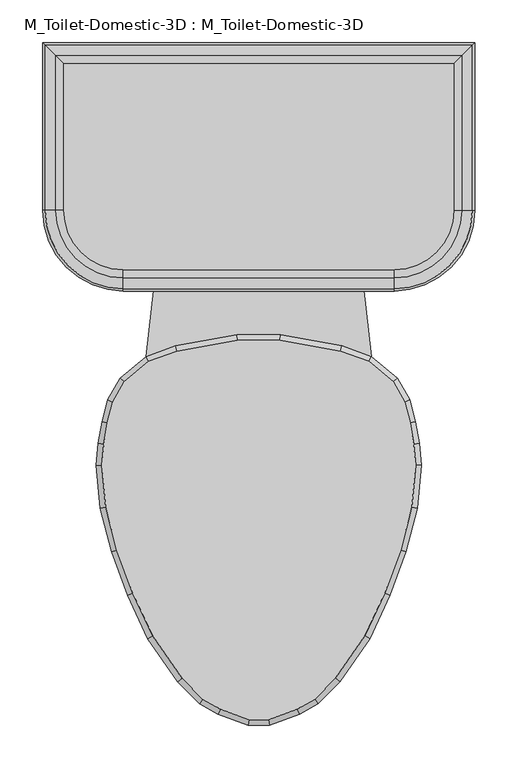
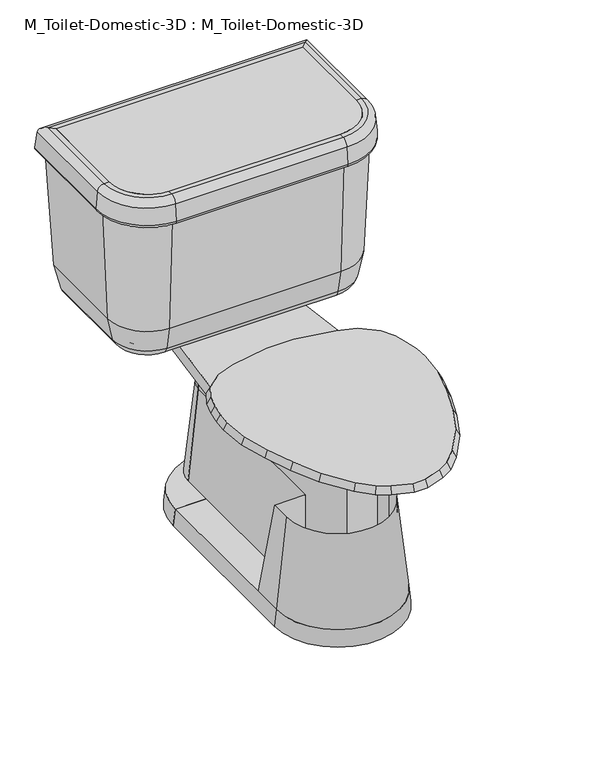
"""IFC4 building model written with IfcOpenShell, lengths in millimetres: flow terminal geometry, M_Toilet-Domestic-3D : M_Toilet-Domestic-3D."""

from ifc_helpers import new_model, si_unit, point, frame, frame_2d, origin, place, context, project, spatial, polyline, circle_curve, ellipse_curve, trimmed, segment, composite_curve, outline, extrude, faceted_brep, source, transform, mapped, element, save
from ifc_brep_helpers import plane_surface, cylinder_surface, revolved_surface, advanced_brep


def m_toilet_domestic_3d_m_toilet_domestic_3d_5cb52bd4(model_context):
    return source(origin(), model_context, "Body", "SolidModel", [
        advanced_brep(
        [(-117.7636364, 285.75, 0.0), (-38.1, 285.75, 0.0), (-38.1, 285.75, 31.75), (-114.3, 285.75, 31.75), (117.7636364, 285.75, 0.0), (114.3, 285.75, 31.75), (38.1, 285.75, 31.75), (38.1, 285.75, 0.0)],
        [
            (0, 1),
            (1, 2),
            (2, 3),
            (3, 0),
            (4, 5),
            (5, 6),
            (6, 7),
            (7, 4),
            (7, 1, circle_curve(frame((0.0, 285.75, 0.0), z_axis=(0.0, 0.0, 1.0), x_axis=(-1.0, 0.0, 0.0)), 38.1)),
            (0, 4, circle_curve(frame((0.0, 285.75, 0.0), z_axis=(0.0, 0.0, -1.0), x_axis=(-1.0, 0.0, 0.0)), 117.7636364)),
            (6, 2, circle_curve(frame((0.0, 285.75, 31.75), z_axis=(0.0, 0.0, 1.0), x_axis=(-1.0, 0.0, 0.0)), 38.1)),
            (5, 3, circle_curve(frame((0.0, 285.75, 31.75), z_axis=(0.0, 0.0, 1.0), x_axis=(-1.0, 0.0, 0.0)), 114.3)),
        ],
        [
            plane_surface(frame((0.0, 285.75, -304.8), z_axis=(0.0, -1.0, 0.0), x_axis=(-1.0, 0.0, 0.0))),
            plane_surface(frame((0.0, 285.75, -304.8), z_axis=(0.0, -1.0, 0.0), x_axis=(1.0, 0.0, 0.0))),
            plane_surface(frame((0.0, 285.75, 0.0), z_axis=(0.0, 0.0, -1.0), x_axis=(-1.0, 0.0, 0.0))),
            revolved_surface(polyline([(-38.1, 285.75, 0.0), (-38.1, 285.75, 31.75)]), (0.0, 285.75, -304.8), (0.0, 0.0, -1.0)),
            plane_surface(frame((0.0, 285.75, 31.75), z_axis=(0.0, 0.0, 1.0), x_axis=(-1.0, 0.0, 0.0))),
            revolved_surface(polyline([(-114.3, 285.75, 31.75), (-117.7636364, 285.75, 0.0)]), (0.0, 285.75, -304.8), (0.0, 0.0, -1.0)),
        ],
        [
            (0, [[1, 2, 3, 4]]),
            (1, [[5, 6, 7, 8]]),
            (2, [[9, -1, 10, -8]]),
            (3, [[11, -2, -9, -7]]),
            (4, [[12, -3, -11, -6]]),
            (5, [[-10, -4, -12, -5]]),
        ],
    ),
        advanced_brep(
        [(-38.1, 342.9, 206.375), (-57.15, 342.9, 31.75), (-38.1, 342.9, 31.75), (38.1, 342.9, 206.375), (38.1, 342.9, 31.75), (57.15, 342.9, 31.75)],
        [
            (0, 1),
            (1, 2),
            (2, 0),
            (3, 4),
            (4, 5),
            (5, 3),
            (5, 1, circle_curve(frame((0.0, 342.9, 31.75), z_axis=(0.0, 0.0, 1.0), x_axis=(-1.0, 0.0, 0.0)), 57.15)),
            (0, 3, circle_curve(frame((0.0, 342.9, 206.375), z_axis=(0.0, 0.0, -1.0), x_axis=(-1.0, 0.0, 0.0)), 38.1)),
            (4, 2, circle_curve(frame((0.0, 342.9, 31.75), z_axis=(0.0, 0.0, 1.0), x_axis=(-1.0, 0.0, 0.0)), 38.1)),
        ],
        [
            plane_surface(frame((0.0, 342.9, 31.75), z_axis=(0.0, -1.0, 0.0), x_axis=(-1.0, 0.0, 0.0))),
            plane_surface(frame((0.0, 342.9, 31.75), z_axis=(0.0, -1.0, 0.0), x_axis=(1.0, 0.0, 0.0))),
            revolved_surface(polyline([(-38.1, 342.9, 206.375), (-57.15, 342.9, 31.75)]), (0.0, 342.9, 31.75), (0.0, 0.0, -1.0)),
            plane_surface(frame((0.0, 342.9, 31.75), z_axis=(0.0, 0.0, -1.0), x_axis=(-1.0, 0.0, 0.0))),
            revolved_surface(polyline([(-38.1, 342.9, 31.75), (-38.1, 342.9, 206.375)]), (0.0, 342.9, 31.75), (0.0, 0.0, -1.0)),
        ],
        [
            (0, [[1, 2, 3]]),
            (1, [[4, 5, 6]]),
            (2, [[7, -1, 8, -6]]),
            (3, [[9, -2, -7, -5]]),
            (4, [[-8, -3, -9, -4]]),
        ],
    ),
        faceted_brep([(-157.6293435, 97.472128, 400.05), (-171.060664, 73.773864, 400.05), (-177.5851102, 49.4242991, 400.05), (-181.9845715, 24.4737144, 400.05), (-184.125744, 0.0, 400.05), (-179.7950716, -49.4998127, 400.05), (-166.347, -99.688699, 400.05), (-148.0469602, -149.9676451, 400.05), (-124.7045808, -200.0255393, 400.05), (-90.0971582, -249.9125941, 400.05), (-65.691017, -274.3187354, 400.05), (-44.8990862, -286.3229622, 400.05), (-11.5803237, -298.45, 400.05), (11.5803237, -298.45, 400.05), (44.8990862, -286.3229622, 400.05), (65.691017, -274.3187354, 400.05), (90.0971582, -249.9125941, 400.05), (124.7045808, -200.0255393, 400.05), (148.0469602, -149.9676451, 400.05), (166.347, -99.688699, 400.05), (179.7950716, -49.4998127, 400.05), (184.125744, 0.0, 400.05), (181.9845715, 24.4737144, 400.05), (177.5851102, 49.4242991, 400.05), (171.060664, 73.773864, 400.05), (157.6293435, 97.472128, 400.05), (129.0942628, 121.4159037, 400.05), (95.7755003, 133.5429415, 400.05), (24.844447, 146.05, 400.05), (-24.844447, 146.05, 400.05), (-95.7755003, 133.5429415, 400.05), (-129.0942628, 121.4159037, 400.05), (-162.5887836, 101.6, 387.2181453), (-132.3182423, 127.0, 387.2181453), (-97.4252791, 139.7, 387.2181453), (-25.4, 152.4, 387.2181453), (25.4, 152.4, 387.2181453), (97.4252791, 139.7, 387.2181453), (132.3182423, 127.0, 387.2181453), (162.5887836, 101.6, 387.2181453), (176.9845865, 76.2, 387.2181453), (183.790496, 50.8, 387.2181453), (188.2862441, 25.3033453, 387.2181453), (190.5, 0.0, 387.2181453), (186.0724883, -50.6066907, 387.2181453), (172.4088722, -101.6, 387.2181453), (153.9191843, -152.4, 387.2181453), (130.2307553, -203.2, 387.2181453), (94.9900085, -254.0, 387.2181453), (69.5900085, -279.4, 387.2181453), (47.5929632, -292.1, 387.2181453), (12.7, -304.8, 387.2181453), (-12.7, -304.8, 387.2181453), (-47.5929632, -292.1, 387.2181453), (-69.5900085, -279.4, 387.2181453), (-94.9900085, -254.0, 387.2181453), (-130.2307553, -203.2, 387.2181453), (-153.9191843, -152.4, 387.2181453), (-172.4088722, -101.6, 387.2181453), (-186.0724883, -50.6066907, 387.2181453), (-190.5, 0.0, 387.2181453), (-188.2862441, 25.3033453, 387.2181453), (-183.790496, 50.8, 387.2181453), (-176.9845865, 76.2, 387.2181453)], [[[0, 1, 2, 3, 4, 5, 6, 7, 8, 9, 10, 11, 12, 13, 14, 15, 16, 17, 18, 19, 20, 21, 22, 23, 24, 25, 26, 27, 28, 29, 30, 31]], [[32, 33, 34, 35, 36, 37, 38, 39, 40, 41, 42, 43, 44, 45, 46, 47, 48, 49, 50, 51, 52, 53, 54, 55, 56, 57, 58, 59, 60, 61, 62, 63]], [[32, 63, 1, 0]], [[63, 62, 2, 1]], [[62, 61, 3, 2]], [[61, 60, 4, 3]], [[60, 59, 5, 4]], [[59, 58, 6, 5]], [[58, 57, 7, 6]], [[57, 56, 8, 7]], [[56, 55, 9, 8]], [[55, 54, 10, 9]], [[54, 53, 11, 10]], [[53, 52, 12, 11]], [[52, 51, 13, 12]], [[51, 50, 14, 13]], [[50, 49, 15, 14]], [[49, 48, 16, 15]], [[48, 47, 17, 16]], [[47, 46, 18, 17]], [[46, 45, 19, 18]], [[45, 44, 20, 19]], [[44, 43, 21, 20]], [[43, 42, 22, 21]], [[42, 41, 23, 22]], [[41, 40, 24, 23]], [[40, 39, 25, 24]], [[39, 38, 26, 25]], [[38, 37, 27, 26]], [[37, 36, 28, 27]], [[36, 35, 29, 28]], [[35, 34, 30, 29]], [[34, 33, 31, 30]], [[33, 32, 0, 31]]]),
        extrude(outline(composite_curve([segment(polyline([(228.5868869, 469.8868869), (228.5868869, 298.45)]), True, "CONTINUOUS"), segment(trimmed(circle_curve(frame_2d((158.75, 298.45)), 69.8368869), [point((228.5868869, 298.45))], [point((158.75, 228.6131131))], False, "CARTESIAN"), True, "CONTINUOUS"), segment(polyline([(158.75, 228.6131131), (-158.75, 228.6131131)]), True, "CONTINUOUS"), segment(trimmed(circle_curve(frame_2d((-158.75, 298.45)), 69.8368869), [point((-158.75, 228.6131131))], [point((-228.5868869, 298.45))], False, "CARTESIAN"), True, "CONTINUOUS"), segment(polyline([(-228.5868869, 298.45), (-228.5868869, 469.8868869), (228.5868869, 469.8868869)]), True, "CONTINUOUS")], self_intersect=False)), frame((0.0, 0.0, 654.05), z_axis=(0.0, 0.0, 1.0), x_axis=(1.0, 0.0, 0.0)), (0.0, 0.0, 1.0), 50.8),
        extrude(outline(composite_curve([segment(trimmed(circle_curve(frame_2d((0.0, 342.9)), 38.1), [point((-38.1, 342.9))], [point((38.1, 342.9))], False, "CARTESIAN"), True, "CONTINUOUS"), segment(polyline([(38.1, 342.9), (-38.1, 342.9)]), True, "CONTINUOUS")], self_intersect=False)), frame((0.0, 0.0, 206.375), z_axis=(0.0, 0.0, 1.0), x_axis=(1.0, 0.0, 0.0)), (0.0, 0.0, 1.0), 130.175),
        advanced_brep(
        [(177.8, 419.1, 387.2181453), (177.8, 419.1, 374.65), (177.8, 298.45, 374.65), (177.8, 298.45, 387.2181453), (192.8020829, 434.1020829, 387.2181453), (192.8020829, 298.45, 387.2181453), (211.4650931, 452.7650931, 402.4478636), (211.4650931, 298.45, 402.4478636), (218.7732506, 460.0732506, 438.15), (218.7732506, 298.45, 438.15), (228.5868869, 469.8868869, 654.05), (228.5868869, 298.45, 654.05), (228.5868869, 469.8868869, 704.85), (228.5868869, 298.45, 704.85), (237.91817, 479.21817, 704.85), (237.91817, 298.45, 704.85), (250.5698426, 491.8698426, 693.2568779), (250.5698426, 298.45, 693.2568779), (253.3960274, 494.6960274, 660.953439), (253.3960274, 298.45, 660.953439), (247.070191, 488.370191, 654.05), (247.070191, 298.45, 654.05), (241.3, 482.6, 654.05), (241.3, 298.45, 654.05), (231.4863636, 472.7863636, 438.15), (231.4863636, 298.45, 438.15), (222.3416824, 463.6416824, 393.4759963), (222.3416824, 298.45, 393.4759963), (197.8071664, 439.1071664, 374.65), (197.8071664, 298.45, 374.65), (158.75, 279.4, 387.2181453), (158.75, 279.4, 374.65), (158.75, 264.3979171, 387.2181453), (158.75, 245.7349069, 402.4478636), (158.75, 238.4267494, 438.15), (158.75, 228.6131131, 654.05), (158.75, 228.6131131, 704.85), (158.75, 219.28183, 704.85), (158.75, 206.6301574, 693.2568779), (158.75, 203.8039726, 660.953439), (158.75, 210.129809, 654.05), (158.75, 215.9, 654.05), (158.75, 225.7136364, 438.15), (158.75, 234.8583176, 393.4759963), (158.75, 259.3928336, 374.65), (-158.75, 279.4, 374.65), (-158.75, 279.4, 387.2181453), (-158.75, 264.3979171, 387.2181453), (-158.75, 245.7349069, 402.4478636), (-158.75, 238.4267494, 438.15), (-158.75, 228.6131131, 654.05), (-158.75, 228.6131131, 704.85), (-158.75, 219.28183, 704.85), (-158.75, 206.6301574, 693.2568779), (-158.75, 203.8039726, 660.953439), (-158.75, 210.129809, 654.05), (-158.75, 215.9, 654.05), (-158.75, 225.7136364, 438.15), (-158.75, 234.8583176, 393.4759963), (-158.75, 259.3928336, 374.65), (-177.8, 298.45, 387.2181453), (-177.8, 298.45, 374.65), (-192.8020829, 298.45, 387.2181453), (-211.4650931, 298.45, 402.4478636), (-218.7732506, 298.45, 438.15), (-228.5868869, 298.45, 654.05), (-228.5868869, 298.45, 704.85), (-237.91817, 298.45, 704.85), (-250.5698426, 298.45, 693.2568779), (-253.3960274, 298.45, 660.953439), (-247.070191, 298.45, 654.05), (-241.3, 298.45, 654.05), (-231.4863636, 298.45, 438.15), (-222.3416824, 298.45, 393.4759963), (-197.8071664, 298.45, 374.65), (-177.8, 419.1, 374.65), (-177.8, 419.1, 387.2181453), (-192.8020829, 434.1020829, 387.2181453), (-211.4650931, 452.7650931, 402.4478636), (-218.7732506, 460.0732506, 438.15), (-228.5868869, 469.8868869, 654.05), (-228.5868869, 469.8868869, 704.85), (-237.91817, 479.21817, 704.85), (-250.5698426, 491.8698426, 693.2568779), (-253.3960274, 494.6960274, 660.953439), (-247.070191, 488.370191, 654.05), (-241.3, 482.6, 654.05), (-231.4863636, 472.7863636, 438.15), (-222.3416824, 463.6416824, 393.4759963), (-197.8071664, 439.1071664, 374.65)],
        [
            (0, 1),
            (1, 2),
            (2, 3),
            (3, 0),
            (4, 0),
            (3, 5),
            (5, 4),
            (6, 4, ellipse_curve(frame((192.8020829, 434.1020829, 406.2681453), z_axis=(-0.7071067811865451, 0.7071067811865498, 0.0), x_axis=(-0.7071067811865497, -0.7071067811865452, 0.0)), 26.9407684, 19.05)),
            (5, 7, circle_curve(frame((192.8020829, 298.45, 406.2681453), z_axis=(0.0, -1.0, 0.0), x_axis=(1.0, 0.0, 0.0)), 19.05)),
            (7, 6),
            (8, 6),
            (7, 9),
            (9, 8),
            (10, 8),
            (9, 11),
            (11, 10),
            (12, 10),
            (11, 13),
            (13, 12),
            (14, 12),
            (13, 15),
            (15, 14),
            (16, 14, ellipse_curve(frame((237.91817, 479.21817, 692.15), z_axis=(0.7071067811865451, -0.7071067811865498, 0.0), x_axis=(0.7071067811865497, 0.7071067811865452, 0.0)), 17.9605122, 12.7)),
            (15, 17, circle_curve(frame((237.91817, 298.45, 692.15), z_axis=(0.0, 1.0, 0.0), x_axis=(1.0, 0.0, 0.0)), 12.7)),
            (17, 16),
            (18, 16),
            (17, 19),
            (19, 18),
            (20, 18, ellipse_curve(frame((247.070191, 488.370191, 660.4), z_axis=(0.7071067811865451, -0.7071067811865498, 0.0), x_axis=(0.7071067811865497, 0.7071067811865452, 0.0)), 8.9802561, 6.35)),
            (19, 21, circle_curve(frame((247.070191, 298.45, 660.4), z_axis=(0.0, 1.0, 0.0), x_axis=(1.0, 0.0, 0.0)), 6.35)),
            (21, 20),
            (22, 20),
            (21, 23),
            (23, 22),
            (24, 22),
            (23, 25),
            (25, 24),
            (26, 24),
            (25, 27),
            (27, 26),
            (28, 26, ellipse_curve(frame((197.8071664, 439.1071664, 400.05), z_axis=(0.7071067811865451, -0.7071067811865498, 0.0), x_axis=(0.7071067811865497, 0.7071067811865452, 0.0)), 35.9210245, 25.4)),
            (27, 29, circle_curve(frame((197.8071664, 298.45, 400.05), z_axis=(0.0, 1.0, 0.0), x_axis=(1.0, 0.0, 0.0)), 25.4)),
            (29, 28),
            (1, 28),
            (29, 2),
            (30, 3, circle_curve(frame((158.75, 298.45, 387.2181453), z_axis=(0.0, 0.0, 1.0), x_axis=(1.0, 0.0, 0.0)), 19.05)),
            (2, 31, circle_curve(frame((158.75, 298.45, 374.65), z_axis=(0.0, 0.0, -1.0), x_axis=(1.0, 0.0, 0.0)), 19.05)),
            (31, 30),
            (32, 5, circle_curve(frame((158.75, 298.45, 387.2181453), z_axis=(0.0, 0.0, 1.0), x_axis=(1.0, 0.0, 0.0)), 34.0520829)),
            (30, 32),
            (33, 7, circle_curve(frame((158.75, 298.45, 402.4478636), z_axis=(0.0, 0.0, 1.0), x_axis=(1.0, 0.0, 0.0)), 52.7150931)),
            (32, 33, circle_curve(frame((158.75, 264.3979171, 406.2681453), z_axis=(-1.0, 0.0, 0.0), x_axis=(0.0, -1.0, 0.0)), 19.05)),
            (34, 9, circle_curve(frame((158.75, 298.45, 438.15), z_axis=(0.0, 0.0, 1.0), x_axis=(1.0, 0.0, 0.0)), 60.0232506)),
            (33, 34),
            (35, 11, circle_curve(frame((158.75, 298.45, 654.05), z_axis=(0.0, 0.0, 1.0), x_axis=(1.0, 0.0, 0.0)), 69.8368869)),
            (34, 35),
            (36, 13, circle_curve(frame((158.75, 298.45, 704.85), z_axis=(0.0, 0.0, 1.0), x_axis=(1.0, 0.0, 0.0)), 69.8368869)),
            (35, 36),
            (37, 15, circle_curve(frame((158.75, 298.45, 704.85), z_axis=(0.0, 0.0, 1.0), x_axis=(1.0, 0.0, 0.0)), 79.16817)),
            (36, 37),
            (38, 17, circle_curve(frame((158.75, 298.45, 693.2568779), z_axis=(0.0, 0.0, 1.0), x_axis=(1.0, 0.0, 0.0)), 91.8198426)),
            (37, 38, circle_curve(frame((158.75, 219.28183, 692.15), z_axis=(1.0, 0.0, 0.0), x_axis=(0.0, -1.0, 0.0)), 12.7)),
            (39, 19, circle_curve(frame((158.75, 298.45, 660.953439), z_axis=(0.0, 0.0, 1.0), x_axis=(1.0, 0.0, 0.0)), 94.6460274)),
            (38, 39),
            (40, 21, circle_curve(frame((158.75, 298.45, 654.05), z_axis=(0.0, 0.0, 1.0), x_axis=(1.0, 0.0, 0.0)), 88.320191)),
            (39, 40, circle_curve(frame((158.75, 210.129809, 660.4), z_axis=(1.0, 0.0, 0.0), x_axis=(0.0, -1.0, 0.0)), 6.35)),
            (41, 23, circle_curve(frame((158.75, 298.45, 654.05), z_axis=(0.0, 0.0, 1.0), x_axis=(1.0, 0.0, 0.0)), 82.55)),
            (40, 41),
            (42, 25, circle_curve(frame((158.75, 298.45, 438.15), z_axis=(0.0, 0.0, 1.0), x_axis=(1.0, 0.0, 0.0)), 72.7363636)),
            (41, 42),
            (43, 27, circle_curve(frame((158.75, 298.45, 393.4759963), z_axis=(0.0, 0.0, 1.0), x_axis=(1.0, 0.0, 0.0)), 63.5916824)),
            (42, 43),
            (44, 29, circle_curve(frame((158.75, 298.45, 374.65), z_axis=(0.0, 0.0, 1.0), x_axis=(1.0, 0.0, 0.0)), 39.0571664)),
            (43, 44, circle_curve(frame((158.75, 259.3928336, 400.05), z_axis=(1.0, 0.0, 0.0), x_axis=(0.0, -1.0, 0.0)), 25.4)),
            (44, 31),
            (31, 45),
            (45, 46),
            (46, 30),
            (46, 47),
            (47, 32),
            (47, 48, circle_curve(frame((-158.75, 264.3979171, 406.2681453), z_axis=(-1.0, 0.0, 0.0), x_axis=(0.0, -1.0, 0.0)), 19.05)),
            (48, 33),
            (48, 49),
            (49, 34),
            (49, 50),
            (50, 35),
            (50, 51),
            (51, 36),
            (51, 52),
            (52, 37),
            (52, 53, circle_curve(frame((-158.75, 219.28183, 692.15), z_axis=(1.0, 0.0, 0.0), x_axis=(0.0, -1.0, 0.0)), 12.7)),
            (53, 38),
            (53, 54),
            (54, 39),
            (54, 55, circle_curve(frame((-158.75, 210.129809, 660.4), z_axis=(1.0, 0.0, 0.0), x_axis=(0.0, -1.0, 0.0)), 6.35)),
            (55, 40),
            (55, 56),
            (56, 41),
            (56, 57),
            (57, 42),
            (57, 58),
            (58, 43),
            (58, 59, circle_curve(frame((-158.75, 259.3928336, 400.05), z_axis=(1.0, 0.0, 0.0), x_axis=(0.0, -1.0, 0.0)), 25.4)),
            (59, 44),
            (59, 45),
            (60, 46, circle_curve(frame((-158.75, 298.45, 387.2181453), z_axis=(0.0, 0.0, 1.0), x_axis=(0.0, -1.0, 0.0)), 19.05)),
            (45, 61, circle_curve(frame((-158.75, 298.45, 374.65), z_axis=(0.0, 0.0, -1.0), x_axis=(0.0, -1.0, 0.0)), 19.05)),
            (61, 60),
            (62, 47, circle_curve(frame((-158.75, 298.45, 387.2181453), z_axis=(0.0, 0.0, 1.0), x_axis=(0.0, -1.0, 0.0)), 34.0520829)),
            (60, 62),
            (63, 48, circle_curve(frame((-158.75, 298.45, 402.4478636), z_axis=(0.0, 0.0, 1.0), x_axis=(0.0, -1.0, 0.0)), 52.7150931)),
            (62, 63, circle_curve(frame((-192.8020829, 298.45, 406.2681453), z_axis=(0.0, 1.0, 0.0), x_axis=(-1.0, 0.0, 0.0)), 19.05)),
            (64, 49, circle_curve(frame((-158.75, 298.45, 438.15), z_axis=(0.0, 0.0, 1.0), x_axis=(0.0, -1.0, 0.0)), 60.0232506)),
            (63, 64),
            (65, 50, circle_curve(frame((-158.75, 298.45, 654.05), z_axis=(0.0, 0.0, 1.0), x_axis=(0.0, -1.0, 0.0)), 69.8368869)),
            (64, 65),
            (66, 51, circle_curve(frame((-158.75, 298.45, 704.85), z_axis=(0.0, 0.0, 1.0), x_axis=(0.0, -1.0, 0.0)), 69.8368869)),
            (65, 66),
            (67, 52, circle_curve(frame((-158.75, 298.45, 704.85), z_axis=(0.0, 0.0, 1.0), x_axis=(0.0, -1.0, 0.0)), 79.16817)),
            (66, 67),
            (68, 53, circle_curve(frame((-158.75, 298.45, 693.2568779), z_axis=(0.0, 0.0, 1.0), x_axis=(0.0, -1.0, 0.0)), 91.8198426)),
            (67, 68, circle_curve(frame((-237.91817, 298.45, 692.15), z_axis=(0.0, -1.0, 0.0), x_axis=(-1.0, 0.0, 0.0)), 12.7)),
            (69, 54, circle_curve(frame((-158.75, 298.45, 660.953439), z_axis=(0.0, 0.0, 1.0), x_axis=(0.0, -1.0, 0.0)), 94.6460274)),
            (68, 69),
            (70, 55, circle_curve(frame((-158.75, 298.45, 654.05), z_axis=(0.0, 0.0, 1.0), x_axis=(0.0, -1.0, 0.0)), 88.320191)),
            (69, 70, circle_curve(frame((-247.070191, 298.45, 660.4), z_axis=(0.0, -1.0, 0.0), x_axis=(-1.0, 0.0, 0.0)), 6.35)),
            (71, 56, circle_curve(frame((-158.75, 298.45, 654.05), z_axis=(0.0, 0.0, 1.0), x_axis=(0.0, -1.0, 0.0)), 82.55)),
            (70, 71),
            (72, 57, circle_curve(frame((-158.75, 298.45, 438.15), z_axis=(0.0, 0.0, 1.0), x_axis=(0.0, -1.0, 0.0)), 72.7363636)),
            (71, 72),
            (73, 58, circle_curve(frame((-158.75, 298.45, 393.4759963), z_axis=(0.0, 0.0, 1.0), x_axis=(0.0, -1.0, 0.0)), 63.5916824)),
            (72, 73),
            (74, 59, circle_curve(frame((-158.75, 298.45, 374.65), z_axis=(0.0, 0.0, 1.0), x_axis=(0.0, -1.0, 0.0)), 39.0571664)),
            (73, 74, circle_curve(frame((-197.8071664, 298.45, 400.05), z_axis=(0.0, -1.0, 0.0), x_axis=(-1.0, 0.0, 0.0)), 25.4)),
            (74, 61),
            (61, 75),
            (75, 76),
            (76, 60),
            (76, 77),
            (77, 62),
            (77, 78, ellipse_curve(frame((-192.8020829, 434.1020829, 406.2681453), z_axis=(0.7071067811865498, 0.7071067811865451, 0.0), x_axis=(-0.7071067811865451, 0.70710678118655, 0.0)), 26.9407684, 19.05)),
            (78, 63),
            (78, 79),
            (79, 64),
            (79, 80),
            (80, 65),
            (80, 81),
            (81, 66),
            (81, 82),
            (82, 67),
            (82, 83, ellipse_curve(frame((-237.91817, 479.21817, 692.15), z_axis=(-0.7071067811865498, -0.7071067811865451, 0.0), x_axis=(0.7071067811865451, -0.70710678118655, 0.0)), 17.9605122, 12.7)),
            (83, 68),
            (83, 84),
            (84, 69),
            (84, 85, ellipse_curve(frame((-247.070191, 488.370191, 660.4), z_axis=(-0.7071067811865498, -0.7071067811865451, 0.0), x_axis=(0.7071067811865451, -0.70710678118655, 0.0)), 8.9802561, 6.35)),
            (85, 70),
            (85, 86),
            (86, 71),
            (86, 87),
            (87, 72),
            (87, 88),
            (88, 73),
            (88, 89, ellipse_curve(frame((-197.8071664, 439.1071664, 400.05), z_axis=(-0.7071067811865498, -0.7071067811865451, 0.0), x_axis=(0.7071067811865451, -0.70710678118655, 0.0)), 35.9210245, 25.4)),
            (89, 74),
            (89, 75),
            (75, 1),
            (0, 76),
            (4, 77),
            (6, 78),
            (8, 79),
            (10, 80),
            (12, 81),
            (14, 82),
            (16, 83),
            (18, 84),
            (20, 85),
            (22, 86),
            (24, 87),
            (26, 88),
            (28, 89),
        ],
        [
            plane_surface(frame((177.8, 419.1, 374.65), z_axis=(-1.0, 0.0, 0.0), x_axis=(0.0, -1.0, 0.0))),
            plane_surface(frame((177.8, 419.1, 387.2181453), z_axis=(0.0, 0.0, 1.0), x_axis=(0.0, -1.0, 0.0))),
            revolved_surface(polyline([(211.8520829, 298.45, 406.2681453), (211.8520829, 453.1520829260162, 406.2681453)]), (192.8020829, 419.1, 406.2681453), (0.0, -1.0, 0.0)),
            plane_surface(frame((211.4650931, 452.7650931, 402.4478636), z_axis=(-0.9796855721787505, 0.0, 0.2005397209153197), x_axis=(0.0, -1.0, 0.0))),
            plane_surface(frame((218.7732506, 460.0732506, 438.15), z_axis=(-0.9989685402102993, 0.0, 0.04540766091865541), x_axis=(0.0, -1.0, 0.0))),
            plane_surface(frame((228.5868869, 469.8868869, 654.05), z_axis=(-1.0, 0.0, 0.0), x_axis=(0.0, -1.0, 0.0))),
            plane_surface(frame((228.5868869, 469.8868869, 704.85), z_axis=(0.0, 0.0, 1.0), x_axis=(0.0, -1.0, 0.0))),
            cylinder_surface(frame((237.91817, 419.1, 692.15), z_axis=(0.0, 1.0, 0.0), x_axis=(1.0, 0.0, 0.0)), 12.7),
            plane_surface(frame((250.5698426, 491.8698426, 693.2568779), z_axis=(0.9961946980917448, 0.0, 0.08715574274766702), x_axis=(0.0, -1.0, 0.0))),
            cylinder_surface(frame((247.070191, 419.1, 660.4), z_axis=(0.0, 1.0, 0.0), x_axis=(1.0, 0.0, 0.0)), 6.35),
            plane_surface(frame((247.070191, 488.370191, 654.05), z_axis=(0.0, 0.0, -1.0), x_axis=(0.0, -1.0, 0.0))),
            plane_surface(frame((241.3, 482.6, 654.05), z_axis=(0.9989685402102995, 0.0, -0.04540766091865437), x_axis=(0.0, -1.0, 0.0))),
            plane_surface(frame((231.4863636, 472.7863636, 438.15), z_axis=(0.9796855721787479, 0.0, -0.2005397209153326), x_axis=(0.0, -1.0, 0.0))),
            cylinder_surface(frame((197.8071664, 419.1, 400.05), z_axis=(0.0, 1.0, 0.0), x_axis=(1.0, 0.0, 0.0)), 25.4),
            plane_surface(frame((197.8071664, 439.1071664, 374.65), z_axis=(0.0, 0.0, -1.0), x_axis=(0.0, -1.0, 0.0))),
            revolved_surface(polyline([(177.8, 298.45, 374.65), (177.8, 298.45, 387.2181453)]), (158.75, 298.45, 0.0), (0.0, 0.0, -1.0)),
            plane_surface(frame((158.75, 298.45, 387.2181453), z_axis=(0.0, 0.0, 1.0), x_axis=(1.0, 0.0, 0.0))),
            revolved_surface(trimmed(ellipse_curve(frame((192.8020829, 298.45, 406.2681453), z_axis=(0.0, -1.0, 0.0), x_axis=(1.0, 0.0, 0.0)), 19.05, 19.05), [point((192.8020829, 298.45, 387.2181453))], [point((211.4650931, 298.45, 402.4478636))], True, "CARTESIAN"), (158.75, 298.45, 0.0), (0.0, 0.0, -1.0)),
            revolved_surface(polyline([(211.4650931, 298.45, 402.4478636), (218.7732506, 298.45, 438.15)]), (158.75, 298.45, 0.0), (0.0, 0.0, -1.0)),
            revolved_surface(polyline([(218.7732506, 298.45, 438.15), (228.5868869, 298.45, 654.05)]), (158.75, 298.45, 0.0), (0.0, 0.0, -1.0)),
            revolved_surface(polyline([(228.5868869, 298.45, 654.05), (228.5868869, 298.45, 704.85)]), (158.75, 298.45, 0.0), (0.0, 0.0, -1.0)),
            plane_surface(frame((158.75, 298.45, 704.85), z_axis=(0.0, 0.0, 1.0), x_axis=(1.0, 0.0, 0.0))),
            revolved_surface(trimmed(ellipse_curve(frame((237.91817, 298.45, 692.15), z_axis=(0.0, 1.0, 0.0), x_axis=(1.0, 0.0, 0.0)), 12.7, 12.7), [point((237.91817, 298.45, 704.85))], [point((250.5698426, 298.45, 693.2568779))], True, "CARTESIAN"), (158.75, 298.45, 0.0), (0.0, 0.0, -1.0)),
            revolved_surface(polyline([(250.5698426, 298.45, 693.2568779), (253.3960274, 298.45, 660.953439)]), (158.75, 298.45, 0.0), (0.0, 0.0, -1.0)),
            revolved_surface(trimmed(ellipse_curve(frame((247.070191, 298.45, 660.4), z_axis=(0.0, 1.0, 0.0), x_axis=(1.0, 0.0, 0.0)), 6.35, 6.35), [point((253.3960274, 298.45, 660.953439))], [point((247.070191, 298.45, 654.05))], True, "CARTESIAN"), (158.75, 298.45, 0.0), (0.0, 0.0, -1.0)),
            plane_surface(frame((158.75, 298.45, 654.05), z_axis=(0.0, 0.0, -1.0), x_axis=(1.0, 0.0, 0.0))),
            revolved_surface(polyline([(241.3, 298.45, 654.05), (231.4863636, 298.45, 438.15)]), (158.75, 298.45, 0.0), (0.0, 0.0, -1.0)),
            revolved_surface(polyline([(231.4863636, 298.45, 438.15), (222.3416824, 298.45, 393.4759963)]), (158.75, 298.45, 0.0), (0.0, 0.0, -1.0)),
            revolved_surface(trimmed(ellipse_curve(frame((197.8071664, 298.45, 400.05), z_axis=(0.0, 1.0, 0.0), x_axis=(1.0, 0.0, 0.0)), 25.4, 25.4), [point((222.3416824, 298.45, 393.4759963))], [point((197.8071664, 298.45, 374.65))], True, "CARTESIAN"), (158.75, 298.45, 0.0), (0.0, 0.0, -1.0)),
            plane_surface(frame((158.75, 298.45, 374.65), z_axis=(0.0, 0.0, -1.0), x_axis=(1.0, 0.0, 0.0))),
            plane_surface(frame((158.75, 279.4, 374.65), z_axis=(0.0, 1.0, 0.0), x_axis=(-1.0, 0.0, 0.0))),
            plane_surface(frame((158.75, 279.4, 387.2181453), z_axis=(0.0, 0.0, 1.0), x_axis=(-1.0, 0.0, 0.0))),
            revolved_surface(polyline([(-158.75, 245.34791709999996, 406.2681453), (158.75, 245.34791709999996, 406.2681453)]), (158.75, 264.3979171, 406.2681453), (-1.0, 0.0, 0.0)),
            plane_surface(frame((158.75, 245.7349069, 402.4478636), z_axis=(0.0, 0.9796855721787505, 0.2005397209153197), x_axis=(-1.0, 0.0, 0.0))),
            plane_surface(frame((158.75, 238.4267494, 438.15), z_axis=(0.0, 0.9989685402102993, 0.04540766091865541), x_axis=(-1.0, 0.0, 0.0))),
            plane_surface(frame((158.75, 228.6131131, 654.05), z_axis=(0.0, 1.0, 0.0), x_axis=(-1.0, 0.0, 0.0))),
            plane_surface(frame((158.75, 228.6131131, 704.85), z_axis=(0.0, 0.0, 1.0), x_axis=(-1.0, 0.0, 0.0))),
            cylinder_surface(frame((158.75, 219.28183, 692.15), z_axis=(1.0, 0.0, 0.0), x_axis=(0.0, -1.0, 0.0)), 12.7),
            plane_surface(frame((158.75, 206.6301574, 693.2568779), z_axis=(0.0, -0.9961946980917448, 0.08715574274766702), x_axis=(-1.0, 0.0, 0.0))),
            cylinder_surface(frame((158.75, 210.129809, 660.4), z_axis=(1.0, 0.0, 0.0), x_axis=(0.0, -1.0, 0.0)), 6.35),
            plane_surface(frame((158.75, 210.129809, 654.05), z_axis=(0.0, 0.0, -1.0), x_axis=(-1.0, 0.0, 0.0))),
            plane_surface(frame((158.75, 215.9, 654.05), z_axis=(0.0, -0.9989685402102995, -0.04540766091865437), x_axis=(-1.0, 0.0, 0.0))),
            plane_surface(frame((158.75, 225.7136364, 438.15), z_axis=(0.0, -0.9796855721787479, -0.2005397209153326), x_axis=(-1.0, 0.0, 0.0))),
            cylinder_surface(frame((158.75, 259.3928336, 400.05), z_axis=(1.0, 0.0, 0.0), x_axis=(0.0, -1.0, 0.0)), 25.4),
            plane_surface(frame((158.75, 259.3928336, 374.65), z_axis=(0.0, 0.0, -1.0), x_axis=(-1.0, 0.0, 0.0))),
            revolved_surface(polyline([(-158.75, 279.4, 374.65), (-158.75, 279.4, 387.2181453)]), (-158.75, 298.45, 0.0), (0.0, 0.0, -1.0)),
            plane_surface(frame((-158.75, 298.45, 387.2181453), z_axis=(0.0, 0.0, 1.0), x_axis=(0.0, -1.0, 0.0))),
            revolved_surface(trimmed(ellipse_curve(frame((-158.75, 264.3979171, 406.2681453), z_axis=(-1.0, 0.0, 0.0), x_axis=(0.0, -1.0, 0.0)), 19.05, 19.05), [point((-158.75, 264.3979171, 387.2181453))], [point((-158.75, 245.7349069, 402.4478636))], True, "CARTESIAN"), (-158.75, 298.45, 0.0), (0.0, 0.0, -1.0)),
            revolved_surface(polyline([(-158.75, 245.7349069, 402.4478636), (-158.75, 238.4267494, 438.15)]), (-158.75, 298.45, 0.0), (0.0, 0.0, -1.0)),
            revolved_surface(polyline([(-158.75, 238.4267494, 438.15), (-158.75, 228.6131131, 654.05)]), (-158.75, 298.45, 0.0), (0.0, 0.0, -1.0)),
            revolved_surface(polyline([(-158.75, 228.6131131, 654.05), (-158.75, 228.6131131, 704.85)]), (-158.75, 298.45, 0.0), (0.0, 0.0, -1.0)),
            plane_surface(frame((-158.75, 298.45, 704.85), z_axis=(0.0, 0.0, 1.0), x_axis=(0.0, -1.0, 0.0))),
            revolved_surface(trimmed(ellipse_curve(frame((-158.75, 219.28183, 692.15), z_axis=(1.0, 0.0, 0.0), x_axis=(0.0, -1.0, 0.0)), 12.7, 12.7), [point((-158.75, 219.28183, 704.85))], [point((-158.75, 206.6301574, 693.2568779))], True, "CARTESIAN"), (-158.75, 298.45, 0.0), (0.0, 0.0, -1.0)),
            revolved_surface(polyline([(-158.75, 206.6301574, 693.2568779), (-158.75, 203.8039726, 660.953439)]), (-158.75, 298.45, 0.0), (0.0, 0.0, -1.0)),
            revolved_surface(trimmed(ellipse_curve(frame((-158.75, 210.129809, 660.4), z_axis=(1.0, 0.0, 0.0), x_axis=(0.0, -1.0, 0.0)), 6.35, 6.35), [point((-158.75, 203.8039726, 660.953439))], [point((-158.75, 210.129809, 654.05))], True, "CARTESIAN"), (-158.75, 298.45, 0.0), (0.0, 0.0, -1.0)),
            plane_surface(frame((-158.75, 298.45, 654.05), z_axis=(0.0, 0.0, -1.0), x_axis=(0.0, -1.0, 0.0))),
            revolved_surface(polyline([(-158.75, 215.9, 654.05), (-158.75, 225.7136364, 438.15)]), (-158.75, 298.45, 0.0), (0.0, 0.0, -1.0)),
            revolved_surface(polyline([(-158.75, 225.7136364, 438.15), (-158.75, 234.8583176, 393.4759963)]), (-158.75, 298.45, 0.0), (0.0, 0.0, -1.0)),
            revolved_surface(trimmed(ellipse_curve(frame((-158.75, 259.3928336, 400.05), z_axis=(1.0, 0.0, 0.0), x_axis=(0.0, -1.0, 0.0)), 25.4, 25.4), [point((-158.75, 234.8583176, 393.4759963))], [point((-158.75, 259.3928336, 374.65))], True, "CARTESIAN"), (-158.75, 298.45, 0.0), (0.0, 0.0, -1.0)),
            plane_surface(frame((-158.75, 298.45, 374.65), z_axis=(0.0, 0.0, -1.0), x_axis=(0.0, -1.0, 0.0))),
            plane_surface(frame((-177.8, 298.45, 374.65), z_axis=(1.0, 0.0, 0.0), x_axis=(0.0, 1.0, 0.0))),
            plane_surface(frame((-177.8, 298.45, 387.2181453), z_axis=(0.0, 0.0, 1.0), x_axis=(0.0, 1.0, 0.0))),
            revolved_surface(polyline([(-211.8520829, 453.15208292601636, 406.2681453), (-211.8520829, 298.45, 406.2681453)]), (-192.8020829, 298.45, 406.2681453), (0.0, 1.0, 0.0)),
            plane_surface(frame((-211.4650931, 298.45, 402.4478636), z_axis=(0.9796855721787505, 0.0, 0.2005397209153197), x_axis=(0.0, 1.0, 0.0))),
            plane_surface(frame((-218.7732506, 298.45, 438.15), z_axis=(0.9989685402102993, 0.0, 0.04540766091865541), x_axis=(0.0, 1.0, 0.0))),
            plane_surface(frame((-228.5868869, 298.45, 654.05), z_axis=(1.0, 0.0, 0.0), x_axis=(0.0, 1.0, 0.0))),
            plane_surface(frame((-228.5868869, 298.45, 704.85), z_axis=(0.0, 0.0, 1.0), x_axis=(0.0, 1.0, 0.0))),
            cylinder_surface(frame((-237.91817, 298.45, 692.15), z_axis=(0.0, -1.0, 0.0), x_axis=(-1.0, 0.0, 0.0)), 12.7),
            plane_surface(frame((-250.5698426, 298.45, 693.2568779), z_axis=(-0.9961946980917448, 0.0, 0.08715574274766702), x_axis=(0.0, 1.0, 0.0))),
            cylinder_surface(frame((-247.070191, 298.45, 660.4), z_axis=(0.0, -1.0, 0.0), x_axis=(-1.0, 0.0, 0.0)), 6.35),
            plane_surface(frame((-247.070191, 298.45, 654.05), z_axis=(0.0, 0.0, -1.0), x_axis=(0.0, 1.0, 0.0))),
            plane_surface(frame((-241.3, 298.45, 654.05), z_axis=(-0.9989685402102995, 0.0, -0.04540766091865437), x_axis=(0.0, 1.0, 0.0))),
            plane_surface(frame((-231.4863636, 298.45, 438.15), z_axis=(-0.9796855721787479, 0.0, -0.2005397209153326), x_axis=(0.0, 1.0, 0.0))),
            cylinder_surface(frame((-197.8071664, 298.45, 400.05), z_axis=(0.0, -1.0, 0.0), x_axis=(-1.0, 0.0, 0.0)), 25.4),
            plane_surface(frame((-197.8071664, 298.45, 374.65), z_axis=(0.0, 0.0, -1.0), x_axis=(0.0, 1.0, 0.0))),
            plane_surface(frame((-177.8, 419.1, 374.65), z_axis=(0.0, -1.0, 0.0), x_axis=(1.0, 0.0, 0.0))),
            plane_surface(frame((-177.8, 419.1, 387.2181453), z_axis=(0.0, 0.0, 1.0), x_axis=(1.0, 0.0, 0.0))),
            revolved_surface(polyline([(211.85208292601635, 453.15208290000004, 406.2681453), (-211.85208292601618, 453.15208290000004, 406.2681453)]), (-177.8, 434.1020829, 406.2681453), (1.0, 0.0, 0.0)),
            plane_surface(frame((-211.4650931, 452.7650931, 402.4478636), z_axis=(0.0, -0.9796855721787505, 0.2005397209153197), x_axis=(1.0, 0.0, 0.0))),
            plane_surface(frame((-218.7732506, 460.0732506, 438.15), z_axis=(0.0, -0.9989685402102993, 0.04540766091865541), x_axis=(1.0, 0.0, 0.0))),
            plane_surface(frame((-228.5868869, 469.8868869, 654.05), z_axis=(0.0, -1.0, 0.0), x_axis=(1.0, 0.0, 0.0))),
            plane_surface(frame((-228.5868869, 469.8868869, 704.85), z_axis=(0.0, 0.0, 1.0), x_axis=(1.0, 0.0, 0.0))),
            cylinder_surface(frame((-177.8, 479.21817, 692.15), z_axis=(-1.0, 0.0, 0.0), x_axis=(0.0, 1.0, 0.0)), 12.7),
            plane_surface(frame((-250.5698426, 491.8698426, 693.2568779), z_axis=(0.0, 0.9961946980917448, 0.08715574274766702), x_axis=(1.0, 0.0, 0.0))),
            cylinder_surface(frame((-177.8, 488.370191, 660.4), z_axis=(-1.0, 0.0, 0.0), x_axis=(0.0, 1.0, 0.0)), 6.35),
            plane_surface(frame((-247.070191, 488.370191, 654.05), z_axis=(0.0, 0.0, -1.0), x_axis=(1.0, 0.0, 0.0))),
            plane_surface(frame((-241.3, 482.6, 654.05), z_axis=(0.0, 0.9989685402102995, -0.04540766091865437), x_axis=(1.0, 0.0, 0.0))),
            plane_surface(frame((-231.4863636, 472.7863636, 438.15), z_axis=(0.0, 0.9796855721787479, -0.2005397209153326), x_axis=(1.0, 0.0, 0.0))),
            cylinder_surface(frame((-177.8, 439.1071664, 400.05), z_axis=(-1.0, 0.0, 0.0), x_axis=(0.0, 1.0, 0.0)), 25.4),
            plane_surface(frame((-197.8071664, 439.1071664, 374.65), z_axis=(0.0, 0.0, -1.0), x_axis=(1.0, 0.0, 0.0))),
        ],
        [
            (0, [[1, 2, 3, 4]]),
            (1, [[5, -4, 6, 7]]),
            (2, [[8, -7, 9, 10]]),
            (3, [[11, -10, 12, 13]]),
            (4, [[14, -13, 15, 16]]),
            (5, [[17, -16, 18, 19]]),
            (6, [[20, -19, 21, 22]]),
            (7, [[23, -22, 24, 25]]),
            (8, [[26, -25, 27, 28]]),
            (9, [[29, -28, 30, 31]]),
            (10, [[32, -31, 33, 34]]),
            (11, [[35, -34, 36, 37]]),
            (12, [[38, -37, 39, 40]]),
            (13, [[41, -40, 42, 43]]),
            (14, [[44, -43, 45, -2]]),
            (15, [[46, -3, 47, 48]]),
            (16, [[49, -6, -46, 50]]),
            (17, [[51, -9, -49, 52]]),
            (18, [[53, -12, -51, 54]]),
            (19, [[55, -15, -53, 56]]),
            (20, [[57, -18, -55, 58]]),
            (21, [[59, -21, -57, 60]]),
            (22, [[61, -24, -59, 62]]),
            (23, [[63, -27, -61, 64]]),
            (24, [[65, -30, -63, 66]]),
            (25, [[67, -33, -65, 68]]),
            (26, [[69, -36, -67, 70]]),
            (27, [[71, -39, -69, 72]]),
            (28, [[73, -42, -71, 74]]),
            (29, [[-47, -45, -73, 75]]),
            (30, [[-48, 76, 77, 78]]),
            (31, [[-50, -78, 79, 80]]),
            (32, [[-52, -80, 81, 82]]),
            (33, [[-54, -82, 83, 84]]),
            (34, [[-56, -84, 85, 86]]),
            (35, [[-58, -86, 87, 88]]),
            (36, [[-60, -88, 89, 90]]),
            (37, [[-62, -90, 91, 92]]),
            (38, [[-64, -92, 93, 94]]),
            (39, [[-66, -94, 95, 96]]),
            (40, [[-68, -96, 97, 98]]),
            (41, [[-70, -98, 99, 100]]),
            (42, [[-72, -100, 101, 102]]),
            (43, [[-74, -102, 103, 104]]),
            (44, [[-75, -104, 105, -76]]),
            (45, [[106, -77, 107, 108]]),
            (46, [[109, -79, -106, 110]]),
            (47, [[111, -81, -109, 112]]),
            (48, [[113, -83, -111, 114]]),
            (49, [[115, -85, -113, 116]]),
            (50, [[117, -87, -115, 118]]),
            (51, [[119, -89, -117, 120]]),
            (52, [[121, -91, -119, 122]]),
            (53, [[123, -93, -121, 124]]),
            (54, [[125, -95, -123, 126]]),
            (55, [[127, -97, -125, 128]]),
            (56, [[129, -99, -127, 130]]),
            (57, [[131, -101, -129, 132]]),
            (58, [[133, -103, -131, 134]]),
            (59, [[-107, -105, -133, 135]]),
            (60, [[-108, 136, 137, 138]]),
            (61, [[-110, -138, 139, 140]]),
            (62, [[-112, -140, 141, 142]]),
            (63, [[-114, -142, 143, 144]]),
            (64, [[-116, -144, 145, 146]]),
            (65, [[-118, -146, 147, 148]]),
            (66, [[-120, -148, 149, 150]]),
            (67, [[-122, -150, 151, 152]]),
            (68, [[-124, -152, 153, 154]]),
            (69, [[-126, -154, 155, 156]]),
            (70, [[-128, -156, 157, 158]]),
            (71, [[-130, -158, 159, 160]]),
            (72, [[-132, -160, 161, 162]]),
            (73, [[-134, -162, 163, 164]]),
            (74, [[-135, -164, 165, -136]]),
            (75, [[-137, 166, -1, 167]]),
            (76, [[-139, -167, -5, 168]]),
            (77, [[-141, -168, -8, 169]]),
            (78, [[-143, -169, -11, 170]]),
            (79, [[-145, -170, -14, 171]]),
            (80, [[-147, -171, -17, 172]]),
            (81, [[-149, -172, -20, 173]]),
            (82, [[-151, -173, -23, 174]]),
            (83, [[-153, -174, -26, 175]]),
            (84, [[-155, -175, -29, 176]]),
            (85, [[-157, -176, -32, 177]]),
            (86, [[-159, -177, -35, 178]]),
            (87, [[-161, -178, -38, 179]]),
            (88, [[-163, -179, -41, 180]]),
            (89, [[-165, -180, -44, -166]]),
        ],
    ),
        extrude(outline(composite_curve([segment(polyline([(-25.4, 152.4), (-97.4252791, 139.7), (-132.3182423, 127.0), (-101.4824733, 395.1508638)]), True, "CONTINUOUS"), segment(trimmed(circle_curve(frame_2d((-88.8656197, 393.7)), 12.7), [point((-101.4824733, 395.1508638))], [point((-88.8656197, 406.4))], False, "CARTESIAN"), True, "CONTINUOUS"), segment(polyline([(-88.8656197, 406.4), (88.8656197, 406.4)]), True, "CONTINUOUS"), segment(trimmed(circle_curve(frame_2d((88.8656197, 393.7)), 12.7), [point((88.8656197, 406.4))], [point((101.4824733, 395.1508638))], False, "CARTESIAN"), True, "CONTINUOUS"), segment(polyline([(101.4824733, 395.1508638), (132.3182423, 127.0), (97.4252791, 139.7), (25.4, 152.4), (0.0, 152.4), (-25.4, 152.4)]), True, "CONTINUOUS")], self_intersect=False)), frame((0.0, 0.0, 336.55), z_axis=(0.0, 0.0, 1.0), x_axis=(1.0, 0.0, 0.0)), (0.0, 0.0, 1.0), 25.4),
        extrude(outline(polyline([(139.7, 264.5247209), (152.4, 336.55), (342.9, 336.55), (342.9, 206.375), (107.4852632, 206.375), (127.0, 229.6317577), (139.7, 264.5247209)])), frame((-38.1, 0.0, 0.0), z_axis=(1.0, 0.0, 0.0), x_axis=(0.0, 1.0, 0.0)), (0.0, 0.0, 1.0), 76.2),
        advanced_brep(
        [(-117.7636364, 285.75, 0.0), (-114.3, 285.75, 31.75), (-38.1, 285.75, 31.75), (-38.1, 285.75, 0.0), (-117.7636364, -38.0999951, 0.0), (-114.3, -38.0999951, 31.75), (-38.1, -38.0999951, 31.75), (-38.1, -38.0999951, 0.0), (114.2999707, -38.0999951, 31.75), (117.7636071, -38.0999951, 0.0), (38.0999707, -38.0999951, 31.75), (38.0999707, -38.0999951, 0.0), (117.7636071, 285.6681634, 0.0), (38.0999707, 285.6681634, 0.0), (38.0999707, 285.6681634, 31.75), (114.2999707, 285.6681634, 31.75)],
        [
            (0, 1),
            (1, 2),
            (2, 3),
            (3, 0),
            (0, 4),
            (4, 5),
            (5, 1),
            (5, 6),
            (6, 2),
            (6, 7),
            (7, 3),
            (7, 4),
            (8, 5, circle_curve(frame((-1.46e-05, -38.0999951, 31.75), z_axis=(0.0, 0.0, -1.0), x_axis=(-1.0, 0.0, 0.0)), 114.2999854)),
            (4, 9, circle_curve(frame((-1.46e-05, -38.0999951, 0.0), z_axis=(0.0, 0.0, 1.0), x_axis=(-1.0, 0.0, 0.0)), 117.7636217)),
            (9, 8),
            (10, 6, circle_curve(frame((-1.46e-05, -38.0999951, 31.75), z_axis=(0.0, 0.0, -1.0), x_axis=(-1.0, 0.0, 0.0)), 38.0999854)),
            (8, 10),
            (11, 7, circle_curve(frame((-1.46e-05, -38.0999951, 0.0), z_axis=(0.0, 0.0, -1.0), x_axis=(-1.0, 0.0, 0.0)), 38.0999854)),
            (10, 11),
            (11, 9),
            (12, 13),
            (13, 14),
            (14, 15),
            (15, 12),
            (9, 12),
            (15, 8),
            (14, 10),
            (13, 11),
        ],
        [
            plane_surface(frame((-196.85, 285.75, 0.0), z_axis=(0.0, 1.0, 0.0), x_axis=(0.0, 0.0, -1.0))),
            plane_surface(frame((-117.7636364, 285.75, 0.0), z_axis=(-0.9941021766079929, 0.0, 0.10844751017543448), x_axis=(0.0, -1.0, 0.0))),
            plane_surface(frame((-114.3, 285.75, 31.75), z_axis=(0.0, 0.0, 1.0), x_axis=(0.0, -1.0, 0.0))),
            plane_surface(frame((-38.1, 285.75, 31.75), z_axis=(1.0, 0.0, 0.0), x_axis=(0.0, -1.0, 0.0))),
            plane_surface(frame((-38.1, 285.75, 0.0), z_axis=(0.0, 0.0, -1.0), x_axis=(0.0, -1.0, 0.0))),
            revolved_surface(polyline([(-117.7636364, -38.0999951, 0.0), (-114.3, -38.0999951, 31.75)]), (-1.46e-05, -38.0999951, 0.0), (0.0, 0.0, 1.0)),
            plane_surface(frame((-1.46e-05, -38.0999951, 31.75), z_axis=(0.0, 0.0, 1.0), x_axis=(-1.0, 0.0, 0.0))),
            revolved_surface(polyline([(-38.1, -38.0999951, 31.75), (-38.1, -38.0999951, 0.0)]), (-1.46e-05, -38.0999951, 0.0), (0.0, 0.0, 1.0)),
            plane_surface(frame((-1.46e-05, -38.0999951, 0.0), z_axis=(0.0, 0.0, -1.0), x_axis=(-1.0, 0.0, 0.0))),
            plane_surface(frame((31.7499707, 285.6681634, 0.0), z_axis=(0.0, 1.0, 0.0), x_axis=(0.0, 0.0, 1.0))),
            plane_surface(frame((117.7636071, -38.0999951, 0.0), z_axis=(0.9941021766079929, 0.0, 0.10844751017543448), x_axis=(0.0, 1.0, 0.0))),
            plane_surface(frame((114.2999707, -38.0999951, 31.75), z_axis=(0.0, 0.0, 1.0), x_axis=(0.0, 1.0, 0.0))),
            plane_surface(frame((38.0999707, -38.0999951, 31.75), z_axis=(-1.0, 0.0, 0.0), x_axis=(0.0, 1.0, 0.0))),
            plane_surface(frame((38.0999707, -38.0999951, 0.0), z_axis=(0.0, 0.0, -1.0), x_axis=(0.0, 1.0, 0.0))),
        ],
        [
            (0, [[1, 2, 3, 4]]),
            (1, [[-1, 5, 6, 7]]),
            (2, [[-2, -7, 8, 9]]),
            (3, [[-3, -9, 10, 11]]),
            (4, [[-4, -11, 12, -5]]),
            (5, [[13, -6, 14, 15]]),
            (6, [[16, -8, -13, 17]]),
            (7, [[18, -10, -16, 19]]),
            (8, [[-14, -12, -18, 20]]),
            (9, [[21, 22, 23, 24]]),
            (10, [[-15, 25, -24, 26]]),
            (11, [[-17, -26, -23, 27]]),
            (12, [[-19, -27, -22, 28]]),
            (13, [[-20, -28, -21, -25]]),
        ],
    ),
        advanced_brep(
        [(-57.15, 342.9, 31.75), (-38.1, 342.9, 206.375), (-38.1, 342.9, 31.75), (-57.15, 19.05, 31.75), (-38.1, 0.0, 206.375), (-38.1, 0.0, 31.75), (-114.3, 19.05, 31.75), (-95.25, 0.0, 206.375), (-95.25, 0.0, 31.75), (-114.3, -38.1, 31.75), (-95.25, -38.1, 206.375), (-95.25, -38.1, 31.75), (95.25, -38.1, 206.375), (114.3, -38.1, 31.75), (95.25, -38.1, 31.75), (114.3, 19.05, 31.75), (95.25, 0.0, 206.375), (95.25, 0.0, 31.75), (57.15, 19.05, 31.75), (38.1, 0.0, 206.375), (38.1, 0.0, 31.75), (57.15, 342.9, 31.75), (38.1, 342.9, 31.75), (38.1, 342.9, 206.375)],
        [
            (0, 1),
            (1, 2),
            (2, 0),
            (0, 3),
            (3, 4),
            (4, 1),
            (4, 5),
            (5, 2),
            (5, 3),
            (3, 6),
            (6, 7),
            (7, 4),
            (7, 8),
            (8, 5),
            (8, 6),
            (6, 9),
            (9, 10),
            (10, 7),
            (10, 11),
            (11, 8),
            (11, 9),
            (12, 10, circle_curve(frame((0.0, -38.1, 206.375), z_axis=(0.0, 0.0, -1.0), x_axis=(-1.0, 0.0, 0.0)), 95.25)),
            (9, 13, circle_curve(frame((0.0, -38.1, 31.75), z_axis=(0.0, 0.0, 1.0), x_axis=(-1.0, 0.0, 0.0)), 114.3)),
            (13, 12),
            (14, 11, circle_curve(frame((0.0, -38.1, 31.75), z_axis=(0.0, 0.0, -1.0), x_axis=(-1.0, 0.0, 0.0)), 95.25)),
            (12, 14),
            (14, 13),
            (13, 15),
            (15, 16),
            (16, 12),
            (16, 17),
            (17, 14),
            (17, 15),
            (15, 18),
            (18, 19),
            (19, 16),
            (19, 20),
            (20, 17),
            (20, 18),
            (21, 22),
            (22, 23),
            (23, 21),
            (18, 21),
            (23, 19),
            (22, 20),
        ],
        [
            plane_surface(frame((-244.475, 342.9, 0.0), z_axis=(0.0, 1.0, 0.0), x_axis=(0.0, 0.0, -1.0))),
            plane_surface(frame((-57.15, 342.9, 31.75), z_axis=(-0.9941021766079944, 0.0, 0.10844751017542063), x_axis=(0.0, -1.0, 0.0))),
            plane_surface(frame((-38.1, 342.9, 206.375), z_axis=(1.0, 0.0, 0.0), x_axis=(0.0, -1.0, 0.0))),
            plane_surface(frame((-38.1, 342.9, 31.75), z_axis=(0.0, 0.0, -1.0), x_axis=(0.0, -1.0, 0.0))),
            plane_surface(frame((-57.15, 19.05, 31.75), z_axis=(0.0, 0.9941021766079944, 0.10844751017542063), x_axis=(-1.0, 0.0, 0.0))),
            plane_surface(frame((-38.1, 0.0, 206.375), z_axis=(0.0, -1.0, 0.0), x_axis=(-1.0, 0.0, 0.0))),
            plane_surface(frame((-38.1, 0.0, 31.75), z_axis=(0.0, 0.0, -1.0), x_axis=(-1.0, 0.0, 0.0))),
            plane_surface(frame((-114.3, 19.05, 31.75), z_axis=(-0.9941021766079944, 0.0, 0.10844751017542063), x_axis=(0.0, -1.0, 0.0))),
            plane_surface(frame((-95.25, 0.0, 206.375), z_axis=(1.0, 0.0, 0.0), x_axis=(0.0, -1.0, 0.0))),
            plane_surface(frame((-95.25, 0.0, 31.75), z_axis=(0.0, 0.0, -1.0), x_axis=(0.0, -1.0, 0.0))),
            revolved_surface(polyline([(-114.3, -38.1, 31.75), (-95.25, -38.1, 206.375)]), (0.0, -38.1, 0.0), (0.0, 0.0, 1.0)),
            revolved_surface(polyline([(-95.25, -38.1, 206.375), (-95.25, -38.1, 31.75)]), (0.0, -38.1, 0.0), (0.0, 0.0, 1.0)),
            plane_surface(frame((0.0, -38.1, 31.75), z_axis=(0.0, 0.0, -1.0), x_axis=(-1.0, 0.0, 0.0))),
            plane_surface(frame((114.3, -38.1, 31.75), z_axis=(0.9941021766079944, 0.0, 0.10844751017542063), x_axis=(0.0, 1.0, 0.0))),
            plane_surface(frame((95.25, -38.1, 206.375), z_axis=(-1.0, 0.0, 0.0), x_axis=(0.0, 1.0, 0.0))),
            plane_surface(frame((95.25, -38.1, 31.75), z_axis=(0.0, 0.0, -1.0), x_axis=(0.0, 1.0, 0.0))),
            plane_surface(frame((114.3, 19.05, 31.75), z_axis=(0.0, 0.9941021766079944, 0.10844751017542063), x_axis=(-1.0, 0.0, 0.0))),
            plane_surface(frame((95.25, 0.0, 206.375), z_axis=(0.0, -1.0, 0.0), x_axis=(-1.0, 0.0, 0.0))),
            plane_surface(frame((95.25, 0.0, 31.75), z_axis=(0.0, 0.0, -1.0), x_axis=(-1.0, 0.0, 0.0))),
            plane_surface(frame((-168.275, 342.9, 0.0), z_axis=(0.0, 1.0, 0.0), x_axis=(0.0, 0.0, 1.0))),
            plane_surface(frame((57.15, 19.05, 31.75), z_axis=(0.9941021766079944, 0.0, 0.10844751017542063), x_axis=(0.0, 1.0, 0.0))),
            plane_surface(frame((38.1, 0.0, 206.375), z_axis=(-1.0, 0.0, 0.0), x_axis=(0.0, 1.0, 0.0))),
            plane_surface(frame((38.1, 0.0, 31.75), z_axis=(0.0, 0.0, -1.0), x_axis=(0.0, 1.0, 0.0))),
        ],
        [
            (0, [[1, 2, 3]]),
            (1, [[-1, 4, 5, 6]]),
            (2, [[-2, -6, 7, 8]]),
            (3, [[-3, -8, 9, -4]]),
            (4, [[-5, 10, 11, 12]]),
            (5, [[-7, -12, 13, 14]]),
            (6, [[-9, -14, 15, -10]]),
            (7, [[-11, 16, 17, 18]]),
            (8, [[-13, -18, 19, 20]]),
            (9, [[-15, -20, 21, -16]]),
            (10, [[22, -17, 23, 24]]),
            (11, [[25, -19, -22, 26]]),
            (12, [[-23, -21, -25, 27]]),
            (13, [[-24, 28, 29, 30]]),
            (14, [[-26, -30, 31, 32]]),
            (15, [[-27, -32, 33, -28]]),
            (16, [[-29, 34, 35, 36]]),
            (17, [[-31, -36, 37, 38]]),
            (18, [[-33, -38, 39, -34]]),
            (19, [[40, 41, 42]]),
            (20, [[-35, 43, -42, 44]]),
            (21, [[-37, -44, -41, 45]]),
            (22, [[-39, -45, -40, -43]]),
        ],
    ),
    ])


if __name__ == "__main__":
    model = new_model("IFC4")
    model_context = context("Model", 3, world=origin())
    ifc_project = project(units=[si_unit("LENGTHUNIT", "METRE", prefix="MILLI")], contexts=[model_context])
    site = spatial("IfcSite", under=ifc_project)
    building = spatial("IfcBuilding", under=site)
    placement = place(None, origin())
    m_toilet_domestic_3d_m_toilet_domestic_3d_shape = m_toilet_domestic_3d_m_toilet_domestic_3d_5cb52bd4(model_context)
    element("IfcFlowTerminal", 1, ObjectType="M_Toilet-Domestic-3D : M_Toilet-Domestic-3D", at=placement, inside=building, context=model_context, shape_type="MappedRepresentation", body=[
        mapped(m_toilet_domestic_3d_m_toilet_domestic_3d_shape, transform((0.0, 0.0, 0.0), x_axis=(1.0, 0.0, 0.0), y_axis=(0.0, 1.0, 0.0), z_axis=(0.0, 0.0, 1.0))),
    ])
    save(model, "model.ifc")
